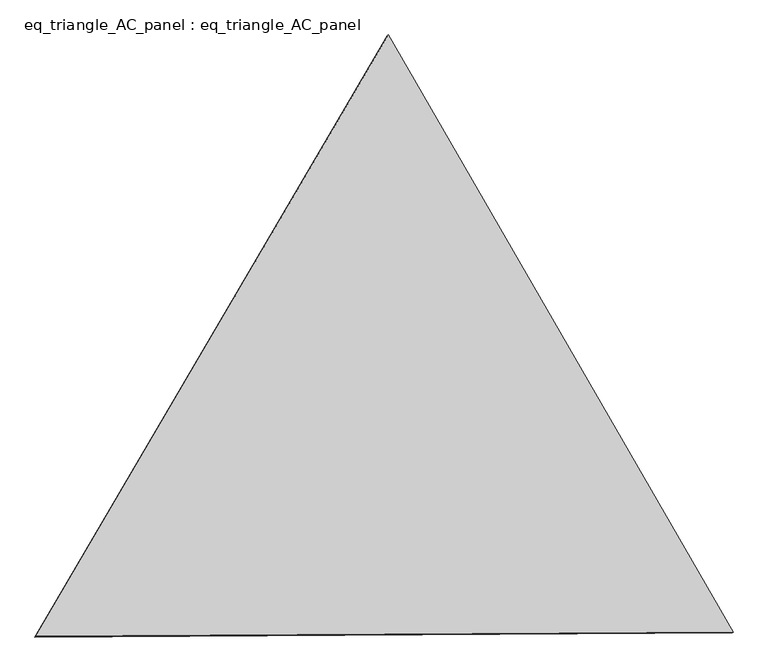
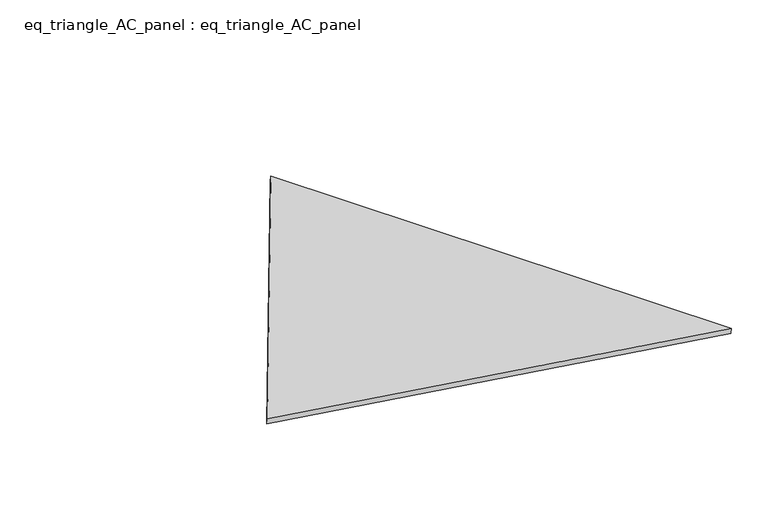
"""IFC4 building model written with IfcOpenShell, lengths in millimetres: proxy geometry, eq_triangle_AC_panel : eq_triangle_AC_panel."""

from ifc_helpers import new_model, si_unit, frame, origin, place, context, project, spatial, polyline, outline, extrude, source, transform, mapped, element, save


def eq_triangle_ac_panel_eq_triangle_ac_panel_573f3f14(model_context):
    return source(origin(), model_context, "Body", "SweptSolid", [
        extrude(outline(polyline([(-2017.7410617, 1198.9367817), (2017.7410616, 1198.9367817), (-1e-07, -2397.8735635), (-2017.7410617, 1198.9367817)])), frame((0.0038051, 527.9290861, 89.8240019), z_axis=(0.14526328518049844, 0.0838657028179741, 0.9858321976226059), x_axis=(0.5000027697418162, -0.8660238046640695, -2.3836681355159696e-06)), (0.0, 0.0, 1.0), 43.8306294),
    ])


if __name__ == "__main__":
    model = new_model("IFC4")
    model_context = context("Model", 3, world=origin())
    ifc_project = project(units=[si_unit("LENGTHUNIT", "METRE", prefix="MILLI")], contexts=[model_context])
    site = spatial("IfcSite", under=ifc_project)
    building = spatial("IfcBuilding", under=site)
    placement = place(None, origin())
    eq_triangle_ac_panel_eq_triangle_ac_panel_shape = eq_triangle_ac_panel_eq_triangle_ac_panel_573f3f14(model_context)
    element("IfcBuildingElementProxy", 1, Name="eq_triangle_AC_panel : eq_triangle_AC_panel", ObjectType="eq_triangle_AC_panel : eq_triangle_AC_panel", at=placement, inside=building, context=model_context, shape_type="MappedRepresentation", body=[
        mapped(eq_triangle_ac_panel_eq_triangle_ac_panel_shape, transform((0.0, 0.0, 0.0), x_axis=(1.0, 0.0, 0.0), y_axis=(0.0, 1.0, 0.0), z_axis=(0.0, 0.0, 1.0))),
    ])
    save(model, "model.ifc")
